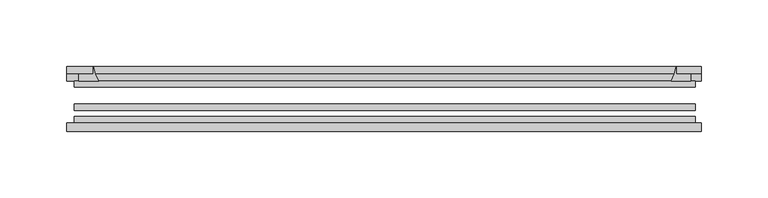
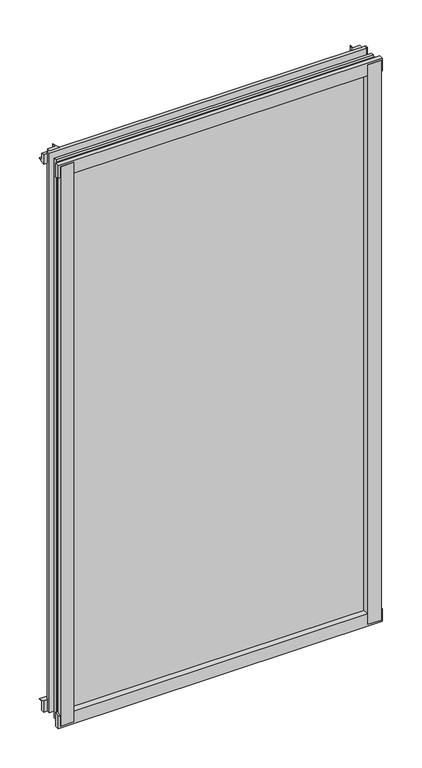
"""IFC4 building model written with IfcOpenShell, lengths in millimetres: plate geometry."""

from ifc_helpers import new_model, si_unit, point, frame, frame_2d, origin, place, context, project, spatial, polyline, circle_curve, trimmed, segment, composite_curve, outline, extrude, source, transform, mapped, element, save


def plate_46ae43c4(model_context):
    return source(origin(), model_context, "Body", "SweptSolid", [
        extrude(outline(composite_curve([segment(polyline([(-235.9279, -78.7828625), (-214.5066987, -78.7828625)]), True, "CONTINUOUS"), segment(trimmed(circle_curve(frame_2d((-206.8695331, -84.652782)), 9.6323545), [point((-214.5066987, -78.7828625))], [point((-216.4899165, -85.1328625))], True, "CARTESIAN"), True, "CONTINUOUS"), segment(polyline([(-216.4899165, -85.1328625), (-235.9279, -85.1328625), (-235.9279, -78.7828625)]), True, "CONTINUOUS")], self_intersect=False)), frame((0.0, 0.0, -14.2875), z_axis=(0.0, 0.0, 1.0), x_axis=(1.0, 0.0, 0.0)), (0.0, 0.0, 1.0), 869.95),
        extrude(outline(composite_curve([segment(polyline([(235.930119, -78.7828625), (235.930119, -85.1328625), (216.450229, -85.1328625)]), True, "CONTINUOUS"), segment(trimmed(circle_curve(frame_2d((206.8298456, -84.652782)), 9.6323545), [point((216.450229, -85.1328625))], [point((214.4670112, -78.7828625))], True, "CARTESIAN"), True, "CONTINUOUS"), segment(polyline([(214.4670112, -78.7828625), (235.930119, -78.7828625)]), True, "CONTINUOUS")], self_intersect=False)), frame((0.0, 0.0, -14.2875), z_axis=(0.0, 0.0, 1.0), x_axis=(1.0, 0.0, 0.0)), (0.0, 0.0, 1.0), 869.95),
        extrude(outline(composite_curve([segment(polyline([(-47.1852625, -14.2875), (-47.1852625, 3.9588469)]), True, "CONTINUOUS"), segment(trimmed(circle_curve(frame_2d((-30.6824422, 32.267054)), 32.7673262), [point((-47.1852625, 3.9588469))], [point((-36.3503395, -0.00635))], True, "CARTESIAN"), True, "CONTINUOUS"), segment(polyline([(-36.3503395, -0.00635), (-42.2830625, -0.00635), (-42.2830625, -14.2875), (-47.1852625, -14.2875)]), True, "CONTINUOUS")], self_intersect=False)), frame((-239.1029, 0.0, 0.0), z_axis=(1.0, 0.0, 0.0), x_axis=(0.0, 1.0, 0.0)), (0.0, 0.0, 1.0), 477.015175),
        extrude(outline(composite_curve([segment(polyline([(-78.7828625, -16.8821065), (-85.1328625, -16.8821065), (-85.1328625, 2.5977835)]), True, "CONTINUOUS"), segment(trimmed(circle_curve(frame_2d((-84.652782, 12.2181669)), 9.6323545), [point((-85.1328625, 2.5977835))], [point((-78.7828625, 4.5810013))], True, "CARTESIAN"), True, "CONTINUOUS"), segment(polyline([(-78.7828625, 4.5810013), (-78.7828625, -16.8821065)]), True, "CONTINUOUS")], self_intersect=False)), frame((-239.1029, 0.0, 0.0), z_axis=(1.0, 0.0, 0.0), x_axis=(0.0, 1.0, 0.0)), (0.0, 0.0, 1.0), 477.015175),
        extrude(outline(composite_curve([segment(polyline([(-47.1852625, 837.4034531), (-47.1852625, 852.0752564), (-42.2830625, 852.0752564), (-42.2830625, 841.375), (-36.3140625, 841.375)]), True, "CONTINUOUS"), segment(trimmed(circle_curve(frame_2d((-30.6824422, 809.095246)), 32.7673262), [point((-36.3140625, 841.375))], [point((-47.1852625, 837.4034531))], True, "CARTESIAN"), True, "CONTINUOUS")], self_intersect=False)), frame((-239.1029, 0.0, 0.0), z_axis=(1.0, 0.0, 0.0), x_axis=(0.0, 1.0, 0.0)), (0.0, 0.0, 1.0), 477.015175),
        extrude(outline(composite_curve([segment(polyline([(-78.7828625, 858.2444065), (-78.7828625, 836.7812987)]), True, "CONTINUOUS"), segment(trimmed(circle_curve(frame_2d((-84.652782, 829.1441331)), 9.6323545), [point((-78.7828625, 836.7812987))], [point((-85.1328625, 838.7645165))], True, "CARTESIAN"), True, "CONTINUOUS"), segment(polyline([(-85.1328625, 838.7645165), (-85.1328625, 858.2444065), (-78.7828625, 858.2444065)]), True, "CONTINUOUS")], self_intersect=False)), frame((-239.1029, 0.0, 0.0), z_axis=(1.0, 0.0, 0.0), x_axis=(0.0, 1.0, 0.0)), (0.0, 0.0, 1.0), 477.015175),
        extrude(outline(composite_curve([segment(trimmed(circle_curve(frame_2d((186.7809585, -30.6824422)), 32.7673262), [point((215.0891656, -47.1852625))], [point((219.0607125, -36.3140625))], True, "CARTESIAN"), True, "CONTINUOUS"), segment(polyline([(219.0607125, -36.3140625), (219.0607125, -42.2830625), (229.7610778, -42.2830625), (229.7610778, -47.1852625), (215.0891656, -47.1852625)]), True, "CONTINUOUS")], self_intersect=False)), frame((0.0, 0.0, -14.2875), z_axis=(0.0, 0.0, 1.0), x_axis=(1.0, 0.0, 0.0)), (0.0, 0.0, 1.0), 869.95),
        extrude(outline(composite_curve([segment(polyline([(-215.0891656, -47.1852625), (-229.7559217, -47.1852625), (-229.7559217, -42.2830625), (-219.0607125, -42.2830625), (-219.0607125, -36.3140625)]), True, "CONTINUOUS"), segment(trimmed(circle_curve(frame_2d((-186.7809585, -30.6824422)), 32.7673262), [point((-219.0607125, -36.3140625))], [point((-215.0891656, -47.1852625))], True, "CARTESIAN"), True, "CONTINUOUS")], self_intersect=False)), frame((0.0, 0.0, -14.2875), z_axis=(0.0, 0.0, 1.0), x_axis=(1.0, 0.0, 0.0)), (0.0, 0.0, 1.0), 869.95),
        extrude(outline(polyline([(233.3482125, -64.6604625), (233.3482125, -69.4356625), (-233.3482125, -69.4356625), (-233.3482125, -64.6604625), (233.3482125, -64.6604625)])), frame((0.0, 0.0, -14.2875), z_axis=(0.0, 0.0, 1.0), x_axis=(1.0, 0.0, 0.0)), (0.0, 0.0, 1.0), 869.95),
        extrude(outline(polyline([(-233.3482125, -78.7828625), (-233.3482125, -74.0076625), (233.3482125, -74.0076625), (233.3482125, -78.7828625), (-233.3482125, -78.7828625)])), frame((0.0, 0.0, -14.2875), z_axis=(0.0, 0.0, 1.0), x_axis=(1.0, 0.0, 0.0)), (0.0, 0.0, 1.0), 869.95),
        extrude(outline(polyline([(-233.3482125, -47.1852625), (233.3482125, -47.1852625), (233.3482125, -51.9604625), (-233.3482125, -51.9604625), (-233.3482125, -47.1852625)])), frame((0.0, 0.0, -14.2875), z_axis=(0.0, 0.0, 1.0), x_axis=(1.0, 0.0, 0.0)), (0.0, 0.0, 1.0), 869.95),
    ])


if __name__ == "__main__":
    model = new_model("IFC4")
    model_context = context("Model", 3, world=origin())
    ifc_project = project(units=[si_unit("LENGTHUNIT", "METRE", prefix="MILLI")], contexts=[model_context])
    site = spatial("IfcSite", under=ifc_project)
    building = spatial("IfcBuilding", under=site)
    placement = place(None, origin())
    plate_shape = plate_46ae43c4(model_context)
    element("IfcPlate", 1, at=placement, inside=building, context=model_context, shape_type="MappedRepresentation", body=[
        mapped(plate_shape, transform((0.0, 0.0, 0.0), x_axis=(1.0, 0.0, 0.0), y_axis=(0.0, 1.0, 0.0), z_axis=(0.0, 0.0, 1.0))),
    ])
    save(model, "model.ifc")
